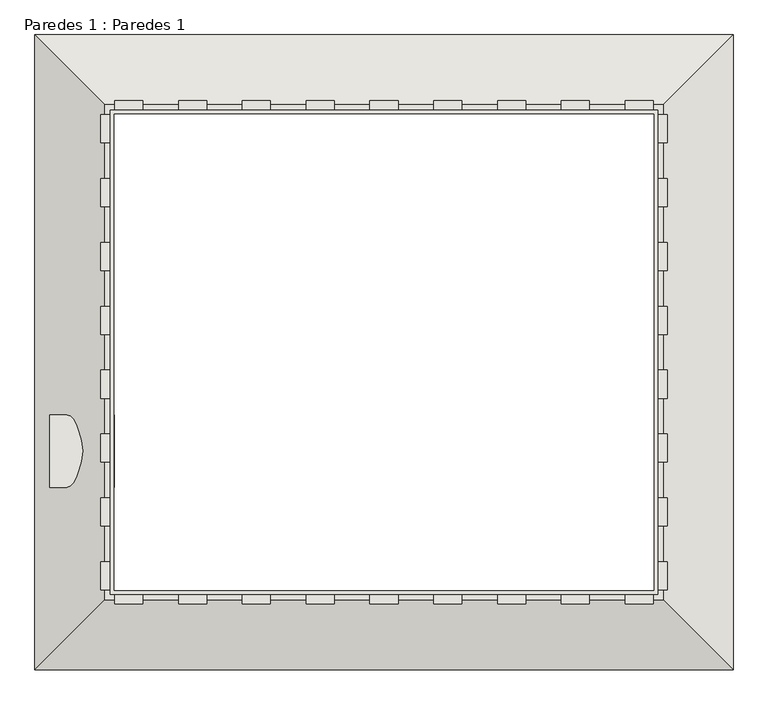
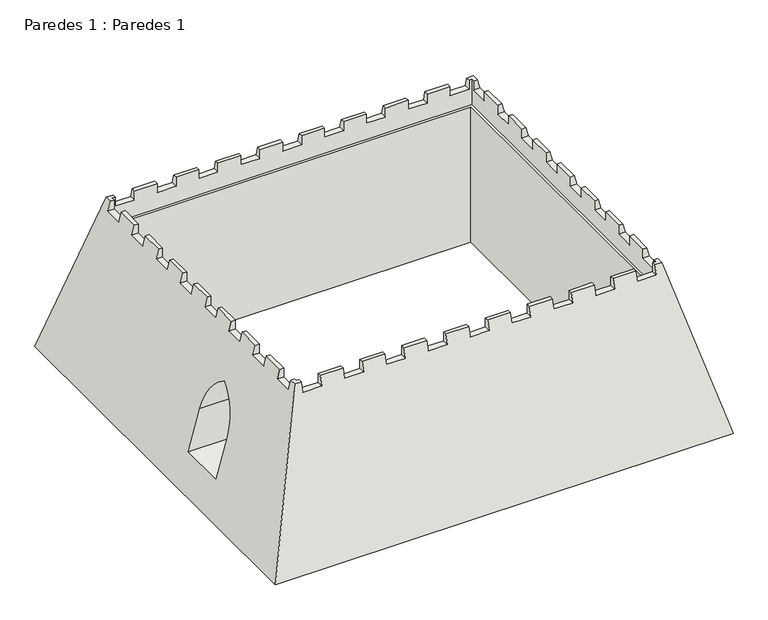
"""IFC4 building model written with IfcOpenShell, lengths in millimetres: wall geometry, Paredes 1 : Paredes 1."""

from ifc_helpers import new_model, si_unit, frame, origin, place, context, project, spatial, polyline, circle_curve, ellipse_curve, source, transform, mapped, element, save
from ifc_brep_helpers import plane_surface, revolved_surface, advanced_brep


def paredes_1_paredes_1_e9ae7069(model_context):
    return source(origin(), model_context, "Body", "AdvancedBrep", [
        advanced_brep(
        [(-7736.0644098, 13936.7052397, 7000.0), (-10120.8122224, 16321.4530523, -1900.0), (-10120.8122224, -5578.042573, -1900.0), (-7736.0644098, -3193.2947603, 7000.0), (-7736.0644098, -2843.2947603, 7000.0), (-7870.039006, -2843.2947603, 6500.0), (-7870.039006, -1843.2947603, 6500.0), (-7736.0644098, -1843.2947603, 7000.0), (-7736.0644098, -639.009046, 7000.0), (-7870.039006, -639.009046, 6500.0), (-7870.039006, 360.990954, 6500.0), (-7736.0644098, 360.990954, 7000.0), (-7736.0644098, 1565.2766683, 7000.0), (-7870.039006, 1565.2766683, 6500.0), (-7870.039006, 2565.2766683, 6500.0), (-7736.0644098, 2565.2766683, 7000.0), (-7736.0644098, 3769.5623825, 7000.0), (-7870.039006, 3769.5623825, 6500.0), (-7870.039006, 4769.5623825, 6500.0), (-7736.0644098, 4769.5623825, 7000.0), (-7736.0644098, 5973.8480968, 7000.0), (-7870.039006, 5973.8480968, 6500.0), (-7870.039006, 6973.8480968, 6500.0), (-7736.0644098, 6973.8480968, 7000.0), (-7736.0644098, 8178.1338111, 7000.0), (-7870.039006, 8178.1338111, 6500.0), (-7870.039006, 9178.1338111, 6500.0), (-7736.0644098, 9178.1338111, 7000.0), (-7736.0644098, 10382.4195254, 7000.0), (-7870.039006, 10382.4195254, 6500.0), (-7870.039006, 11382.4195254, 6500.0), (-7736.0644098, 11382.4195254, 7000.0), (-7736.0644098, 12586.7052397, 7000.0), (-7870.039006, 12586.7052397, 6500.0), (-7870.039006, 13586.7052397, 6500.0), (-7736.0644098, 13586.7052397, 7000.0), (-9611.7087568, 3218.5761205, 0.0), (-9023.5066896, 3218.5761205, 2195.2), (-8464.1530061, 1968.5761205, 4282.736366), (-9023.5066896, 718.5761205, 2195.2), (-9611.7087568, 718.5761205, 0.0), (13948.6834029, -5578.042573, -1900.0), (11563.9355902, -3193.2947603, 7000.0), (11213.9355902, -3193.2947603, 7000.0), (11213.9355902, -3327.2693565, 6500.0), (10213.9355902, -3327.2693565, 6500.0), (10213.9355902, -3193.2947603, 7000.0), (9013.9355902, -3193.2947603, 7000.0), (9013.9355902, -3327.2693565, 6500.0), (8013.9355902, -3327.2693565, 6500.0), (8013.9355902, -3193.2947603, 7000.0), (6813.9355902, -3193.2947603, 7000.0), (6813.9355902, -3327.2693565, 6500.0), (5813.9355902, -3327.2693565, 6500.0), (5813.9355902, -3193.2947603, 7000.0), (4613.9355902, -3193.2947603, 7000.0), (4613.9355902, -3327.2693565, 6500.0), (3613.9355902, -3327.2693565, 6500.0), (3613.9355902, -3193.2947603, 7000.0), (2413.9355902, -3193.2947603, 7000.0), (2413.9355902, -3327.2693565, 6500.0), (1413.9355902, -3327.2693565, 6500.0), (1413.9355902, -3193.2947603, 7000.0), (213.9355902, -3193.2947603, 7000.0), (213.9355902, -3327.2693565, 6500.0), (-786.0644098, -3327.2693565, 6500.0), (-786.0644098, -3193.2947603, 7000.0), (-1986.0644098, -3193.2947603, 7000.0), (-1986.0644098, -3327.2693565, 6500.0), (-2986.0644098, -3327.2693565, 6500.0), (-2986.0644098, -3193.2947603, 7000.0), (-4186.0644098, -3193.2947603, 7000.0), (-4186.0644098, -3327.2693565, 6500.0), (-5186.0644098, -3327.2693565, 6500.0), (-5186.0644098, -3193.2947603, 7000.0), (-6386.0644098, -3193.2947603, 7000.0), (-6386.0644098, -3327.2693565, 6500.0), (-7386.0644098, -3327.2693565, 6500.0), (-7386.0644098, -3193.2947603, 7000.0), (-7536.0644098, 13736.7052397, 5600.0), (-7536.0644098, 13736.7052397, 7000.0), (-7536.0644098, 13586.7052397, 7000.0), (-7536.0644098, 13586.7052397, 6500.0), (-7536.0644098, 12586.7052397, 6500.0), (-7536.0644098, 12586.7052397, 7000.0), (-7536.0644098, 11382.4195254, 7000.0), (-7536.0644098, 11382.4195254, 6500.0), (-7536.0644098, 10382.4195254, 6500.0), (-7536.0644098, 10382.4195254, 7000.0), (-7536.0644098, 9178.1338111, 7000.0), (-7536.0644098, 9178.1338111, 6500.0), (-7536.0644098, 8178.1338111, 6500.0), (-7536.0644098, 8178.1338111, 7000.0), (-7536.0644098, 6973.8480968, 7000.0), (-7536.0644098, 6973.8480968, 6500.0), (-7536.0644098, 5973.8480968, 6500.0), (-7536.0644098, 5973.8480968, 7000.0), (-7536.0644098, 4769.5623825, 7000.0), (-7536.0644098, 4769.5623825, 6500.0), (-7536.0644098, 3769.5623825, 6500.0), (-7536.0644098, 3769.5623825, 7000.0), (-7536.0644098, 2565.2766683, 7000.0), (-7536.0644098, 2565.2766683, 6500.0), (-7536.0644098, 1565.2766683, 6500.0), (-7536.0644098, 1565.2766683, 7000.0), (-7536.0644098, 360.990954, 7000.0), (-7536.0644098, 360.990954, 6500.0), (-7536.0644098, -639.009046, 6500.0), (-7536.0644098, -639.009046, 7000.0), (-7536.0644098, -1843.2947603, 7000.0), (-7536.0644098, -1843.2947603, 6500.0), (-7536.0644098, -2843.2947603, 6500.0), (-7536.0644098, -2843.2947603, 7000.0), (-7536.0644098, -2993.2947603, 7000.0), (-7536.0644098, -2993.2947603, 5600.0), (-7386.0644098, 13586.7052397, -1900.0), (-7386.0644098, 13586.7052397, 5600.0), (-7386.0644098, -2843.2947603, 5600.0), (-7386.0644098, -2843.2947603, -1900.0), (-7386.0644098, 3218.5761205, 2195.2), (-7386.0644098, 3218.5761205, 0.0), (-7386.0644098, 718.5761205, 0.0), (-7386.0644098, 718.5761205, 2195.2), (-7386.0644098, 1968.5761205, 4282.736366), (-7386.0644098, -2993.2947603, 7000.0), (-7386.0644098, -2993.2947603, 6500.0), (-6386.0644098, -2993.2947603, 6500.0), (-6386.0644098, -2993.2947603, 7000.0), (-5186.0644098, -2993.2947603, 7000.0), (-5186.0644098, -2993.2947603, 6500.0), (-4186.0644098, -2993.2947603, 6500.0), (-4186.0644098, -2993.2947603, 7000.0), (-2986.0644098, -2993.2947603, 7000.0), (-2986.0644098, -2993.2947603, 6500.0), (-1986.0644098, -2993.2947603, 6500.0), (-1986.0644098, -2993.2947603, 7000.0), (-786.0644098, -2993.2947603, 7000.0), (-786.0644098, -2993.2947603, 6500.0), (213.9355902, -2993.2947603, 6500.0), (213.9355902, -2993.2947603, 7000.0), (1413.9355902, -2993.2947603, 7000.0), (1413.9355902, -2993.2947603, 6500.0), (2413.9355902, -2993.2947603, 6500.0), (2413.9355902, -2993.2947603, 7000.0), (3613.9355902, -2993.2947603, 7000.0), (3613.9355902, -2993.2947603, 6500.0), (4613.9355902, -2993.2947603, 6500.0), (4613.9355902, -2993.2947603, 7000.0), (5813.9355902, -2993.2947603, 7000.0), (5813.9355902, -2993.2947603, 6500.0), (6813.9355902, -2993.2947603, 6500.0), (6813.9355902, -2993.2947603, 7000.0), (8013.9355902, -2993.2947603, 7000.0), (8013.9355902, -2993.2947603, 6500.0), (9013.9355902, -2993.2947603, 6500.0), (9013.9355902, -2993.2947603, 7000.0), (10213.9355902, -2993.2947603, 7000.0), (10213.9355902, -2993.2947603, 6500.0), (11213.9355902, -2993.2947603, 6500.0), (11213.9355902, -2993.2947603, 7000.0), (11363.9355902, -2993.2947603, 7000.0), (11363.9355902, -2993.2947603, 5600.0), (11213.9355902, -2843.2947603, -1900.0), (11213.9355902, -2843.2947603, 5600.0), (13948.6834029, 16321.4530523, -1900.0), (11563.9355902, 13936.7052397, 7000.0), (11563.9355902, 13586.7052397, 7000.0), (11697.9101864, 13586.7052397, 6500.0), (11697.9101864, 12586.7052397, 6500.0), (11563.9355902, 12586.7052397, 7000.0), (11563.9355902, 11382.4195254, 7000.0), (11697.9101864, 11382.4195254, 6500.0), (11697.9101864, 10382.4195254, 6500.0), (11563.9355902, 10382.4195254, 7000.0), (11563.9355902, 9178.1338111, 7000.0), (11697.9101864, 9178.1338111, 6500.0), (11697.9101864, 8178.1338111, 6500.0), (11563.9355902, 8178.1338111, 7000.0), (11563.9355902, 6973.8480968, 7000.0), (11697.9101864, 6973.8480968, 6500.0), (11697.9101864, 5973.8480968, 6500.0), (11563.9355902, 5973.8480968, 7000.0), (11563.9355902, 4769.5623825, 7000.0), (11697.9101864, 4769.5623825, 6500.0), (11697.9101864, 3769.5623825, 6500.0), (11563.9355902, 3769.5623825, 7000.0), (11563.9355902, 2565.2766683, 7000.0), (11697.9101864, 2565.2766683, 6500.0), (11697.9101864, 1565.2766683, 6500.0), (11563.9355902, 1565.2766683, 7000.0), (11563.9355902, 360.990954, 7000.0), (11697.9101864, 360.990954, 6500.0), (11697.9101864, -639.009046, 6500.0), (11563.9355902, -639.009046, 7000.0), (11563.9355902, -1843.2947603, 7000.0), (11697.9101864, -1843.2947603, 6500.0), (11697.9101864, -2843.2947603, 6500.0), (11563.9355902, -2843.2947603, 7000.0), (11363.9355902, -2843.2947603, 7000.0), (11363.9355902, -2843.2947603, 6500.0), (11363.9355902, -1843.2947603, 6500.0), (11363.9355902, -1843.2947603, 7000.0), (11363.9355902, -639.009046, 7000.0), (11363.9355902, -639.009046, 6500.0), (11363.9355902, 360.990954, 6500.0), (11363.9355902, 360.990954, 7000.0), (11363.9355902, 1565.2766683, 7000.0), (11363.9355902, 1565.2766683, 6500.0), (11363.9355902, 2565.2766683, 6500.0), (11363.9355902, 2565.2766683, 7000.0), (11363.9355902, 3769.5623825, 7000.0), (11363.9355902, 3769.5623825, 6500.0), (11363.9355902, 4769.5623825, 6500.0), (11363.9355902, 4769.5623825, 7000.0), (11363.9355902, 5973.8480968, 7000.0), (11363.9355902, 5973.8480968, 6500.0), (11363.9355902, 6973.8480968, 6500.0), (11363.9355902, 6973.8480968, 7000.0), (11363.9355902, 8178.1338111, 7000.0), (11363.9355902, 8178.1338111, 6500.0), (11363.9355902, 9178.1338111, 6500.0), (11363.9355902, 9178.1338111, 7000.0), (11363.9355902, 10382.4195254, 7000.0), (11363.9355902, 10382.4195254, 6500.0), (11363.9355902, 11382.4195254, 6500.0), (11363.9355902, 11382.4195254, 7000.0), (11363.9355902, 12586.7052397, 7000.0), (11363.9355902, 12586.7052397, 6500.0), (11363.9355902, 13586.7052397, 6500.0), (11363.9355902, 13586.7052397, 7000.0), (11363.9355902, 13736.7052397, 7000.0), (11363.9355902, 13736.7052397, 5600.0), (11213.9355902, 13586.7052397, 5600.0), (11213.9355902, 13586.7052397, -1900.0), (-7386.0644098, 13936.7052397, 7000.0), (-7386.0644098, 14070.6798359, 6500.0), (-6386.0644098, 14070.6798359, 6500.0), (-6386.0644098, 13936.7052397, 7000.0), (-5186.0644098, 13936.7052397, 7000.0), (-5186.0644098, 14070.6798359, 6500.0), (-4186.0644098, 14070.6798359, 6500.0), (-4186.0644098, 13936.7052397, 7000.0), (-2986.0644098, 13936.7052397, 7000.0), (-2986.0644098, 14070.6798359, 6500.0), (-1986.0644098, 14070.6798359, 6500.0), (-1986.0644098, 13936.7052397, 7000.0), (-786.0644098, 13936.7052397, 7000.0), (-786.0644098, 14070.6798359, 6500.0), (213.9355902, 14070.6798359, 6500.0), (213.9355902, 13936.7052397, 7000.0), (1413.9355902, 13936.7052397, 7000.0), (1413.9355902, 14070.6798359, 6500.0), (2413.9355902, 14070.6798359, 6500.0), (2413.9355902, 13936.7052397, 7000.0), (3613.9355902, 13936.7052397, 7000.0), (3613.9355902, 14070.6798359, 6500.0), (4613.9355902, 14070.6798359, 6500.0), (4613.9355902, 13936.7052397, 7000.0), (5813.9355902, 13936.7052397, 7000.0), (5813.9355902, 14070.6798359, 6500.0), (6813.9355902, 14070.6798359, 6500.0), (6813.9355902, 13936.7052397, 7000.0), (8013.9355902, 13936.7052397, 7000.0), (8013.9355902, 14070.6798359, 6500.0), (9013.9355902, 14070.6798359, 6500.0), (9013.9355902, 13936.7052397, 7000.0), (10213.9355902, 13936.7052397, 7000.0), (10213.9355902, 14070.6798359, 6500.0), (11213.9355902, 14070.6798359, 6500.0), (11213.9355902, 13936.7052397, 7000.0), (-7386.0644098, 13736.7052397, 7000.0), (11213.9355902, 13736.7052397, 7000.0), (-6386.0644098, 13736.7052397, 7000.0), (-5186.0644098, 13736.7052397, 7000.0), (-4186.0644098, 13736.7052397, 7000.0), (-2986.0644098, 13736.7052397, 7000.0), (-1986.0644098, 13736.7052397, 7000.0), (-786.0644098, 13736.7052397, 7000.0), (213.9355902, 13736.7052397, 7000.0), (1413.9355902, 13736.7052397, 7000.0), (2413.9355902, 13736.7052397, 7000.0), (3613.9355902, 13736.7052397, 7000.0), (4613.9355902, 13736.7052397, 7000.0), (5813.9355902, 13736.7052397, 7000.0), (6813.9355902, 13736.7052397, 7000.0), (8013.9355902, 13736.7052397, 7000.0), (9013.9355902, 13736.7052397, 7000.0), (10213.9355902, 13736.7052397, 7000.0), (11213.9355902, 13736.7052397, 6500.0), (10213.9355902, 13736.7052397, 6500.0), (9013.9355902, 13736.7052397, 6500.0), (8013.9355902, 13736.7052397, 6500.0), (6813.9355902, 13736.7052397, 6500.0), (5813.9355902, 13736.7052397, 6500.0), (4613.9355902, 13736.7052397, 6500.0), (3613.9355902, 13736.7052397, 6500.0), (2413.9355902, 13736.7052397, 6500.0), (1413.9355902, 13736.7052397, 6500.0), (213.9355902, 13736.7052397, 6500.0), (-786.0644098, 13736.7052397, 6500.0), (-1986.0644098, 13736.7052397, 6500.0), (-2986.0644098, 13736.7052397, 6500.0), (-4186.0644098, 13736.7052397, 6500.0), (-5186.0644098, 13736.7052397, 6500.0), (-6386.0644098, 13736.7052397, 6500.0), (-7386.0644098, 13736.7052397, 6500.0)],
        [
            (0, 1),
            (1, 2),
            (2, 3),
            (3, 4),
            (4, 5),
            (5, 6),
            (6, 7),
            (7, 8),
            (8, 9),
            (9, 10),
            (10, 11),
            (11, 12),
            (12, 13),
            (13, 14),
            (14, 15),
            (15, 16),
            (16, 17),
            (17, 18),
            (18, 19),
            (19, 20),
            (20, 21),
            (21, 22),
            (22, 23),
            (23, 24),
            (24, 25),
            (25, 26),
            (26, 27),
            (27, 28),
            (28, 29),
            (29, 30),
            (30, 31),
            (31, 32),
            (32, 33),
            (33, 34),
            (34, 35),
            (35, 0),
            (36, 37),
            (37, 38, ellipse_curve(frame((-9023.5066896, 850.4528888, 2195.2), z_axis=(0.9659258262890672, 0.0, -0.2588190451025252), x_axis=(0.25881904510252457, 0.0, 0.9659258262890672)), 2451.6615741, 2368.1232317)),
            (38, 39, ellipse_curve(frame((-9023.5066896, 3086.6993523, 2195.2), z_axis=(0.9659258262890672, 0.0, -0.2588190451025252), x_axis=(0.25881904510252457, 0.0, 0.9659258262890672)), 2451.6615741, 2368.1232317)),
            (39, 40),
            (40, 36),
            (2, 41),
            (41, 42),
            (42, 43),
            (43, 44),
            (44, 45),
            (45, 46),
            (46, 47),
            (47, 48),
            (48, 49),
            (49, 50),
            (50, 51),
            (51, 52),
            (52, 53),
            (53, 54),
            (54, 55),
            (55, 56),
            (56, 57),
            (57, 58),
            (58, 59),
            (59, 60),
            (60, 61),
            (61, 62),
            (62, 63),
            (63, 64),
            (64, 65),
            (65, 66),
            (66, 67),
            (67, 68),
            (68, 69),
            (69, 70),
            (70, 71),
            (71, 72),
            (72, 73),
            (73, 74),
            (74, 75),
            (75, 76),
            (76, 77),
            (77, 78),
            (78, 3),
            (79, 80),
            (80, 81),
            (81, 82),
            (82, 83),
            (83, 84),
            (84, 85),
            (85, 86),
            (86, 87),
            (87, 88),
            (88, 89),
            (89, 90),
            (90, 91),
            (91, 92),
            (92, 93),
            (93, 94),
            (94, 95),
            (95, 96),
            (96, 97),
            (97, 98),
            (98, 99),
            (99, 100),
            (100, 101),
            (101, 102),
            (102, 103),
            (103, 104),
            (104, 105),
            (105, 106),
            (106, 107),
            (107, 108),
            (108, 109),
            (109, 110),
            (110, 111),
            (111, 112),
            (112, 113),
            (113, 114),
            (114, 79),
            (115, 116),
            (116, 117),
            (117, 118),
            (118, 115),
            (119, 120),
            (120, 121),
            (121, 122),
            (122, 123, circle_curve(frame((-7386.0644098, 3086.6993523, 2195.2), z_axis=(-1.0, 0.0, 0.0), x_axis=(0.0, 1.0, 0.0)), 2368.1232317)),
            (123, 119, circle_curve(frame((-7386.0644098, 850.4528888, 2195.2), z_axis=(-1.0, 0.0, 0.0), x_axis=(0.0, 1.0, 0.0)), 2368.1232317)),
            (113, 124),
            (124, 125),
            (125, 126),
            (126, 127),
            (127, 128),
            (128, 129),
            (129, 130),
            (130, 131),
            (131, 132),
            (132, 133),
            (133, 134),
            (134, 135),
            (135, 136),
            (136, 137),
            (137, 138),
            (138, 139),
            (139, 140),
            (140, 141),
            (141, 142),
            (142, 143),
            (143, 144),
            (144, 145),
            (145, 146),
            (146, 147),
            (147, 148),
            (148, 149),
            (149, 150),
            (150, 151),
            (151, 152),
            (152, 153),
            (153, 154),
            (154, 155),
            (155, 156),
            (156, 157),
            (157, 158),
            (158, 159),
            (159, 160),
            (160, 161),
            (161, 114),
            (162, 118),
            (117, 163),
            (163, 162),
            (41, 164),
            (164, 165),
            (165, 166),
            (166, 167),
            (167, 168),
            (168, 169),
            (169, 170),
            (170, 171),
            (171, 172),
            (172, 173),
            (173, 174),
            (174, 175),
            (175, 176),
            (176, 177),
            (177, 178),
            (178, 179),
            (179, 180),
            (180, 181),
            (181, 182),
            (182, 183),
            (183, 184),
            (184, 185),
            (185, 186),
            (186, 187),
            (187, 188),
            (188, 189),
            (189, 190),
            (190, 191),
            (191, 192),
            (192, 193),
            (193, 194),
            (194, 195),
            (195, 196),
            (196, 197),
            (197, 42),
            (160, 198),
            (198, 199),
            (199, 200),
            (200, 201),
            (201, 202),
            (202, 203),
            (203, 204),
            (204, 205),
            (205, 206),
            (206, 207),
            (207, 208),
            (208, 209),
            (209, 210),
            (210, 211),
            (211, 212),
            (212, 213),
            (213, 214),
            (214, 215),
            (215, 216),
            (216, 217),
            (217, 218),
            (218, 219),
            (219, 220),
            (220, 221),
            (221, 222),
            (222, 223),
            (223, 224),
            (224, 225),
            (225, 226),
            (226, 227),
            (227, 228),
            (228, 229),
            (229, 230),
            (230, 231),
            (231, 161),
            (163, 232),
            (232, 233),
            (233, 162),
            (0, 234),
            (234, 235),
            (235, 236),
            (236, 237),
            (237, 238),
            (238, 239),
            (239, 240),
            (240, 241),
            (241, 242),
            (242, 243),
            (243, 244),
            (244, 245),
            (245, 246),
            (246, 247),
            (247, 248),
            (248, 249),
            (249, 250),
            (250, 251),
            (251, 252),
            (252, 253),
            (253, 254),
            (254, 255),
            (255, 256),
            (256, 257),
            (257, 258),
            (258, 259),
            (259, 260),
            (260, 261),
            (261, 262),
            (262, 263),
            (263, 264),
            (264, 265),
            (265, 266),
            (266, 267),
            (267, 268),
            (268, 269),
            (269, 165),
            (164, 1),
            (78, 124),
            (112, 4),
            (7, 109),
            (108, 8),
            (11, 105),
            (104, 12),
            (15, 101),
            (100, 16),
            (19, 97),
            (96, 20),
            (23, 93),
            (92, 24),
            (27, 89),
            (88, 28),
            (31, 85),
            (84, 32),
            (35, 81),
            (80, 270),
            (270, 234),
            (74, 128),
            (127, 75),
            (131, 71),
            (70, 132),
            (197, 198),
            (159, 43),
            (46, 156),
            (155, 47),
            (50, 152),
            (151, 51),
            (54, 148),
            (147, 55),
            (58, 144),
            (143, 59),
            (62, 140),
            (139, 63),
            (66, 136),
            (135, 67),
            (269, 271),
            (271, 230),
            (229, 166),
            (169, 226),
            (225, 170),
            (173, 222),
            (221, 174),
            (177, 218),
            (217, 178),
            (181, 214),
            (213, 182),
            (185, 210),
            (209, 186),
            (189, 206),
            (205, 190),
            (193, 202),
            (201, 194),
            (237, 272),
            (272, 273),
            (273, 238),
            (241, 274),
            (274, 275),
            (275, 242),
            (245, 276),
            (276, 277),
            (277, 246),
            (249, 278),
            (278, 279),
            (279, 250),
            (253, 280),
            (280, 281),
            (281, 254),
            (257, 282),
            (282, 283),
            (283, 258),
            (261, 284),
            (284, 285),
            (285, 262),
            (265, 286),
            (286, 287),
            (287, 266),
            (79, 231),
            (271, 288),
            (288, 289),
            (289, 287),
            (286, 290),
            (290, 291),
            (291, 285),
            (284, 292),
            (292, 293),
            (293, 283),
            (282, 294),
            (294, 295),
            (295, 281),
            (280, 296),
            (296, 297),
            (297, 279),
            (278, 298),
            (298, 299),
            (299, 277),
            (276, 300),
            (300, 301),
            (301, 275),
            (274, 302),
            (302, 303),
            (303, 273),
            (272, 304),
            (304, 305),
            (305, 270),
            (116, 232),
            (115, 233),
            (33, 83),
            (82, 34),
            (5, 111),
            (110, 6),
            (29, 87),
            (86, 30),
            (25, 91),
            (90, 26),
            (21, 95),
            (94, 22),
            (17, 99),
            (98, 18),
            (13, 103),
            (102, 14),
            (9, 107),
            (106, 10),
            (76, 126),
            (125, 77),
            (72, 130),
            (129, 73),
            (68, 134),
            (133, 69),
            (64, 138),
            (137, 65),
            (60, 142),
            (141, 61),
            (56, 146),
            (145, 57),
            (52, 150),
            (149, 53),
            (48, 154),
            (153, 49),
            (44, 158),
            (157, 45),
            (167, 228),
            (227, 168),
            (195, 200),
            (199, 196),
            (171, 224),
            (223, 172),
            (175, 220),
            (219, 176),
            (179, 216),
            (215, 180),
            (183, 212),
            (211, 184),
            (187, 208),
            (207, 188),
            (191, 204),
            (203, 192),
            (235, 305),
            (304, 236),
            (239, 303),
            (302, 240),
            (243, 301),
            (300, 244),
            (247, 299),
            (298, 248),
            (251, 297),
            (296, 252),
            (255, 295),
            (294, 256),
            (259, 293),
            (292, 260),
            (263, 291),
            (290, 264),
            (267, 289),
            (288, 268),
            (36, 120),
            (119, 37),
            (123, 38),
            (122, 39),
            (121, 40),
        ],
        [
            plane_surface(frame((-10120.8122224, 16321.4530523, -1900.0), z_axis=(-0.9659258262890672, 0.0, 0.2588190451025252), x_axis=(0.0, -1.0, 0.0))),
            plane_surface(frame((-10120.8122224, -5578.042573, -1900.0), z_axis=(0.0, -0.9659258262890672, 0.2588190451025252), x_axis=(1.0, 0.0, 0.0))),
            plane_surface(frame((-7536.0644098, 13736.7052397, 7000.0), z_axis=(1.0, 0.0, 0.0), x_axis=(0.0, -1.0, 0.0))),
            plane_surface(frame((-7386.0644098, 13586.7052397, 5600.0), z_axis=(1.0, 0.0, 0.0), x_axis=(0.0, -1.0, 0.0))),
            plane_surface(frame((-7536.0644098, -2993.2947603, 7000.0), z_axis=(0.0, 1.0, 0.0), x_axis=(1.0, 0.0, 0.0))),
            plane_surface(frame((-7386.0644098, -2843.2947603, 5600.0), z_axis=(0.0, 1.0, 0.0), x_axis=(1.0, 0.0, 0.0))),
            plane_surface(frame((13948.6834029, -5578.042573, -1900.0), z_axis=(0.9659258262890672, 0.0, 0.2588190451025252), x_axis=(0.0, 1.0, 0.0))),
            plane_surface(frame((11363.9355902, -2993.2947603, 7000.0), z_axis=(-1.0, 0.0, 0.0), x_axis=(0.0, 1.0, 0.0))),
            plane_surface(frame((11213.9355902, -2843.2947603, 5600.0), z_axis=(-1.0, 0.0, 0.0), x_axis=(0.0, 1.0, 0.0))),
            plane_surface(frame((13948.6834029, 16321.4530523, -1900.0), z_axis=(0.0, 0.9659258262890672, 0.2588190451025252), x_axis=(-1.0, 0.0, 0.0))),
            plane_surface(frame((11563.9355902, 13936.7052397, 7000.0), z_axis=(0.0, 0.0, 1.0), x_axis=(-1.0, 0.0, 0.0))),
            plane_surface(frame((11363.9355902, 13736.7052397, 7000.0), z_axis=(0.0, -1.0, 0.0), x_axis=(-1.0, 0.0, 0.0))),
            plane_surface(frame((11363.9355902, 13736.7052397, 5600.0), z_axis=(0.0, 0.0, 1.0), x_axis=(-1.0, 0.0, 0.0))),
            plane_surface(frame((11213.9355902, 13586.7052397, 5600.0), z_axis=(0.0, -1.0, 0.0), x_axis=(-1.0, 0.0, 0.0))),
            plane_surface(frame((11213.9355902, 13586.7052397, -1900.0), z_axis=(0.0, 0.0, -1.0), x_axis=(-1.0, 0.0, 0.0))),
            plane_surface(frame((-10120.8122224, 13586.7052397, 6500.0), z_axis=(0.0, 0.0, 1.0), x_axis=(0.0, 1.0, 0.0))),
            plane_surface(frame((-10120.8122224, 12586.7052397, 8000.0), z_axis=(0.0, 1.0, 0.0), x_axis=(0.0, 0.0, -1.0))),
            plane_surface(frame((-7386.0644098, 13586.7052397, 8000.0), z_axis=(0.0, -1.0, 0.0), x_axis=(0.0, 0.0, -1.0))),
            plane_surface(frame((-10120.8122224, -1843.2947603, 6500.0), z_axis=(0.0, 0.0, 1.0), x_axis=(0.0, 1.0, 0.0))),
            plane_surface(frame((-10120.8122224, -2843.2947603, 8000.0), z_axis=(0.0, 1.0, 0.0), x_axis=(0.0, 0.0, -1.0))),
            plane_surface(frame((-7386.0644098, -1843.2947603, 8000.0), z_axis=(0.0, -1.0, 0.0), x_axis=(0.0, 0.0, -1.0))),
            plane_surface(frame((-10120.8122224, 11382.4195254, 6500.0), z_axis=(0.0, 0.0, 1.0), x_axis=(0.0, 1.0, 0.0))),
            plane_surface(frame((-10120.8122224, 10382.4195254, 8000.0), z_axis=(0.0, 1.0, 0.0), x_axis=(0.0, 0.0, -1.0))),
            plane_surface(frame((-7386.0644098, 11382.4195254, 8000.0), z_axis=(0.0, -1.0, 0.0), x_axis=(0.0, 0.0, -1.0))),
            plane_surface(frame((-10120.8122224, 9178.1338111, 6500.0), z_axis=(0.0, 0.0, 1.0), x_axis=(0.0, 1.0, 0.0))),
            plane_surface(frame((-10120.8122224, 8178.1338111, 8000.0), z_axis=(0.0, 1.0, 0.0), x_axis=(0.0, 0.0, -1.0))),
            plane_surface(frame((-7386.0644098, 9178.1338111, 8000.0), z_axis=(0.0, -1.0, 0.0), x_axis=(0.0, 0.0, -1.0))),
            plane_surface(frame((-10120.8122224, 6973.8480968, 6500.0), z_axis=(0.0, 0.0, 1.0), x_axis=(0.0, 1.0, 0.0))),
            plane_surface(frame((-10120.8122224, 5973.8480968, 8000.0), z_axis=(0.0, 1.0, 0.0), x_axis=(0.0, 0.0, -1.0))),
            plane_surface(frame((-7386.0644098, 6973.8480968, 8000.0), z_axis=(0.0, -1.0, 0.0), x_axis=(0.0, 0.0, -1.0))),
            plane_surface(frame((-10120.8122224, 4769.5623825, 6500.0), z_axis=(0.0, 0.0, 1.0), x_axis=(0.0, 1.0, 0.0))),
            plane_surface(frame((-10120.8122224, 3769.5623825, 8000.0), z_axis=(0.0, 1.0, 0.0), x_axis=(0.0, 0.0, -1.0))),
            plane_surface(frame((-7386.0644098, 4769.5623825, 8000.0), z_axis=(0.0, -1.0, 0.0), x_axis=(0.0, 0.0, -1.0))),
            plane_surface(frame((-10120.8122224, 2565.2766683, 6500.0), z_axis=(0.0, 0.0, 1.0), x_axis=(0.0, 1.0, 0.0))),
            plane_surface(frame((-10120.8122224, 1565.2766683, 8000.0), z_axis=(0.0, 1.0, 0.0), x_axis=(0.0, 0.0, -1.0))),
            plane_surface(frame((-7386.0644098, 2565.2766683, 8000.0), z_axis=(0.0, -1.0, 0.0), x_axis=(0.0, 0.0, -1.0))),
            plane_surface(frame((-10120.8122224, 360.990954, 6500.0), z_axis=(0.0, 0.0, 1.0), x_axis=(0.0, 1.0, 0.0))),
            plane_surface(frame((-10120.8122224, -639.009046, 8000.0), z_axis=(0.0, 1.0, 0.0), x_axis=(0.0, 0.0, -1.0))),
            plane_surface(frame((-7386.0644098, 360.990954, 8000.0), z_axis=(0.0, -1.0, 0.0), x_axis=(0.0, 0.0, -1.0))),
            plane_surface(frame((-6386.0644098, -2723.2947603, 6500.0), z_axis=(0.0, 0.0, 1.0), x_axis=(0.0, -1.0, 0.0))),
            plane_surface(frame((-7386.0644098, -2723.2947603, 8000.0), z_axis=(1.0, 0.0, 0.0), x_axis=(0.0, 0.0, -1.0))),
            plane_surface(frame((-6386.0644098, -5458.042573, 8000.0), z_axis=(-1.0, 0.0, 0.0), x_axis=(0.0, 0.0, -1.0))),
            plane_surface(frame((-4186.0644098, -2723.2947603, 6500.0), z_axis=(0.0, 0.0, 1.0), x_axis=(0.0, -1.0, 0.0))),
            plane_surface(frame((-5186.0644098, -2723.2947603, 8000.0), z_axis=(1.0, 0.0, 0.0), x_axis=(0.0, 0.0, -1.0))),
            plane_surface(frame((-4186.0644098, -5458.042573, 8000.0), z_axis=(-1.0, 0.0, 0.0), x_axis=(0.0, 0.0, -1.0))),
            plane_surface(frame((-1986.0644098, -2723.2947603, 6500.0), z_axis=(0.0, 0.0, 1.0), x_axis=(0.0, -1.0, 0.0))),
            plane_surface(frame((-2986.0644098, -2723.2947603, 8000.0), z_axis=(1.0, 0.0, 0.0), x_axis=(0.0, 0.0, -1.0))),
            plane_surface(frame((-1986.0644098, -5458.042573, 8000.0), z_axis=(-1.0, 0.0, 0.0), x_axis=(0.0, 0.0, -1.0))),
            plane_surface(frame((213.9355902, -2723.2947603, 6500.0), z_axis=(0.0, 0.0, 1.0), x_axis=(0.0, -1.0, 0.0))),
            plane_surface(frame((-786.0644098, -2723.2947603, 8000.0), z_axis=(1.0, 0.0, 0.0), x_axis=(0.0, 0.0, -1.0))),
            plane_surface(frame((213.9355902, -5458.042573, 8000.0), z_axis=(-1.0, 0.0, 0.0), x_axis=(0.0, 0.0, -1.0))),
            plane_surface(frame((2413.9355902, -2723.2947603, 6500.0), z_axis=(0.0, 0.0, 1.0), x_axis=(0.0, -1.0, 0.0))),
            plane_surface(frame((1413.9355902, -2723.2947603, 8000.0), z_axis=(1.0, 0.0, 0.0), x_axis=(0.0, 0.0, -1.0))),
            plane_surface(frame((2413.9355902, -5458.042573, 8000.0), z_axis=(-1.0, 0.0, 0.0), x_axis=(0.0, 0.0, -1.0))),
            plane_surface(frame((4613.9355902, -2723.2947603, 6500.0), z_axis=(0.0, 0.0, 1.0), x_axis=(0.0, -1.0, 0.0))),
            plane_surface(frame((3613.9355902, -2723.2947603, 8000.0), z_axis=(1.0, 0.0, 0.0), x_axis=(0.0, 0.0, -1.0))),
            plane_surface(frame((4613.9355902, -5458.042573, 8000.0), z_axis=(-1.0, 0.0, 0.0), x_axis=(0.0, 0.0, -1.0))),
            plane_surface(frame((6813.9355902, -2723.2947603, 6500.0), z_axis=(0.0, 0.0, 1.0), x_axis=(0.0, -1.0, 0.0))),
            plane_surface(frame((5813.9355902, -2723.2947603, 8000.0), z_axis=(1.0, 0.0, 0.0), x_axis=(0.0, 0.0, -1.0))),
            plane_surface(frame((6813.9355902, -5458.042573, 8000.0), z_axis=(-1.0, 0.0, 0.0), x_axis=(0.0, 0.0, -1.0))),
            plane_surface(frame((9013.9355902, -2723.2947603, 6500.0), z_axis=(0.0, 0.0, 1.0), x_axis=(0.0, -1.0, 0.0))),
            plane_surface(frame((8013.9355902, -2723.2947603, 8000.0), z_axis=(1.0, 0.0, 0.0), x_axis=(0.0, 0.0, -1.0))),
            plane_surface(frame((9013.9355902, -5458.042573, 8000.0), z_axis=(-1.0, 0.0, 0.0), x_axis=(0.0, 0.0, -1.0))),
            plane_surface(frame((11213.9355902, -2723.2947603, 6500.0), z_axis=(0.0, 0.0, 1.0), x_axis=(0.0, -1.0, 0.0))),
            plane_surface(frame((10213.9355902, -2723.2947603, 8000.0), z_axis=(1.0, 0.0, 0.0), x_axis=(0.0, 0.0, -1.0))),
            plane_surface(frame((11213.9355902, -5458.042573, 8000.0), z_axis=(-1.0, 0.0, 0.0), x_axis=(0.0, 0.0, -1.0))),
            plane_surface(frame((11213.9355902, 13586.7052397, 6500.0), z_axis=(0.0, 0.0, 1.0), x_axis=(1.0, 0.0, 0.0))),
            plane_surface(frame((11213.9355902, 12586.7052397, 8000.0), z_axis=(0.0, 1.0, 0.0), x_axis=(0.0, 0.0, -1.0))),
            plane_surface(frame((13948.6834029, 13586.7052397, 8000.0), z_axis=(0.0, -1.0, 0.0), x_axis=(0.0, 0.0, -1.0))),
            plane_surface(frame((11213.9355902, -1843.2947603, 6500.0), z_axis=(0.0, 0.0, 1.0), x_axis=(1.0, 0.0, 0.0))),
            plane_surface(frame((11213.9355902, -2843.2947603, 8000.0), z_axis=(0.0, 1.0, 0.0), x_axis=(0.0, 0.0, -1.0))),
            plane_surface(frame((13948.6834029, -1843.2947603, 8000.0), z_axis=(0.0, -1.0, 0.0), x_axis=(0.0, 0.0, -1.0))),
            plane_surface(frame((11213.9355902, 11382.4195254, 6500.0), z_axis=(0.0, 0.0, 1.0), x_axis=(1.0, 0.0, 0.0))),
            plane_surface(frame((11213.9355902, 10382.4195254, 8000.0), z_axis=(0.0, 1.0, 0.0), x_axis=(0.0, 0.0, -1.0))),
            plane_surface(frame((13948.6834029, 11382.4195254, 8000.0), z_axis=(0.0, -1.0, 0.0), x_axis=(0.0, 0.0, -1.0))),
            plane_surface(frame((11213.9355902, 9178.1338111, 6500.0), z_axis=(0.0, 0.0, 1.0), x_axis=(1.0, 0.0, 0.0))),
            plane_surface(frame((11213.9355902, 8178.1338111, 8000.0), z_axis=(0.0, 1.0, 0.0), x_axis=(0.0, 0.0, -1.0))),
            plane_surface(frame((13948.6834029, 9178.1338111, 8000.0), z_axis=(0.0, -1.0, 0.0), x_axis=(0.0, 0.0, -1.0))),
            plane_surface(frame((11213.9355902, 6973.8480968, 6500.0), z_axis=(0.0, 0.0, 1.0), x_axis=(1.0, 0.0, 0.0))),
            plane_surface(frame((11213.9355902, 5973.8480968, 8000.0), z_axis=(0.0, 1.0, 0.0), x_axis=(0.0, 0.0, -1.0))),
            plane_surface(frame((13948.6834029, 6973.8480968, 8000.0), z_axis=(0.0, -1.0, 0.0), x_axis=(0.0, 0.0, -1.0))),
            plane_surface(frame((11213.9355902, 4769.5623825, 6500.0), z_axis=(0.0, 0.0, 1.0), x_axis=(1.0, 0.0, 0.0))),
            plane_surface(frame((11213.9355902, 3769.5623825, 8000.0), z_axis=(0.0, 1.0, 0.0), x_axis=(0.0, 0.0, -1.0))),
            plane_surface(frame((13948.6834029, 4769.5623825, 8000.0), z_axis=(0.0, -1.0, 0.0), x_axis=(0.0, 0.0, -1.0))),
            plane_surface(frame((11213.9355902, 2565.2766683, 6500.0), z_axis=(0.0, 0.0, 1.0), x_axis=(1.0, 0.0, 0.0))),
            plane_surface(frame((11213.9355902, 1565.2766683, 8000.0), z_axis=(0.0, 1.0, 0.0), x_axis=(0.0, 0.0, -1.0))),
            plane_surface(frame((13948.6834029, 2565.2766683, 8000.0), z_axis=(0.0, -1.0, 0.0), x_axis=(0.0, 0.0, -1.0))),
            plane_surface(frame((11213.9355902, 360.990954, 6500.0), z_axis=(0.0, 0.0, 1.0), x_axis=(1.0, 0.0, 0.0))),
            plane_surface(frame((11213.9355902, -639.009046, 8000.0), z_axis=(0.0, 1.0, 0.0), x_axis=(0.0, 0.0, -1.0))),
            plane_surface(frame((13948.6834029, 360.990954, 8000.0), z_axis=(0.0, -1.0, 0.0), x_axis=(0.0, 0.0, -1.0))),
            plane_surface(frame((-6386.0644098, 16201.4530523, 6500.0), z_axis=(0.0, 0.0, 1.0), x_axis=(1.0, 0.0, 0.0))),
            plane_surface(frame((-7386.0644098, 16201.4530523, 8000.0), z_axis=(1.0, 0.0, 0.0), x_axis=(0.0, 0.0, -1.0))),
            plane_surface(frame((-6386.0644098, 13466.7052397, 8000.0), z_axis=(-1.0, 0.0, 0.0), x_axis=(0.0, 0.0, -1.0))),
            plane_surface(frame((-4186.0644098, 16201.4530523, 6500.0), z_axis=(0.0, 0.0, 1.0), x_axis=(1.0, 0.0, 0.0))),
            plane_surface(frame((-5186.0644098, 16201.4530523, 8000.0), z_axis=(1.0, 0.0, 0.0), x_axis=(0.0, 0.0, -1.0))),
            plane_surface(frame((-4186.0644098, 13466.7052397, 8000.0), z_axis=(-1.0, 0.0, 0.0), x_axis=(0.0, 0.0, -1.0))),
            plane_surface(frame((-1986.0644098, 16201.4530523, 6500.0), z_axis=(0.0, 0.0, 1.0), x_axis=(1.0, 0.0, 0.0))),
            plane_surface(frame((-2986.0644098, 16201.4530523, 8000.0), z_axis=(1.0, 0.0, 0.0), x_axis=(0.0, 0.0, -1.0))),
            plane_surface(frame((-1986.0644098, 13466.7052397, 8000.0), z_axis=(-1.0, 0.0, 0.0), x_axis=(0.0, 0.0, -1.0))),
            plane_surface(frame((213.9355902, 16201.4530523, 6500.0), z_axis=(0.0, 0.0, 1.0), x_axis=(1.0, 0.0, 0.0))),
            plane_surface(frame((-786.0644098, 16201.4530523, 8000.0), z_axis=(1.0, 0.0, 0.0), x_axis=(0.0, 0.0, -1.0))),
            plane_surface(frame((213.9355902, 13466.7052397, 8000.0), z_axis=(-1.0, 0.0, 0.0), x_axis=(0.0, 0.0, -1.0))),
            plane_surface(frame((2413.9355902, 16201.4530523, 6500.0), z_axis=(0.0, 0.0, 1.0), x_axis=(1.0, 0.0, 0.0))),
            plane_surface(frame((1413.9355902, 16201.4530523, 8000.0), z_axis=(1.0, 0.0, 0.0), x_axis=(0.0, 0.0, -1.0))),
            plane_surface(frame((2413.9355902, 13466.7052397, 8000.0), z_axis=(-1.0, 0.0, 0.0), x_axis=(0.0, 0.0, -1.0))),
            plane_surface(frame((4613.9355902, 16201.4530523, 6500.0), z_axis=(0.0, 0.0, 1.0), x_axis=(1.0, 0.0, 0.0))),
            plane_surface(frame((3613.9355902, 16201.4530523, 8000.0), z_axis=(1.0, 0.0, 0.0), x_axis=(0.0, 0.0, -1.0))),
            plane_surface(frame((4613.9355902, 13466.7052397, 8000.0), z_axis=(-1.0, 0.0, 0.0), x_axis=(0.0, 0.0, -1.0))),
            plane_surface(frame((6813.9355902, 16201.4530523, 6500.0), z_axis=(0.0, 0.0, 1.0), x_axis=(1.0, 0.0, 0.0))),
            plane_surface(frame((5813.9355902, 16201.4530523, 8000.0), z_axis=(1.0, 0.0, 0.0), x_axis=(0.0, 0.0, -1.0))),
            plane_surface(frame((6813.9355902, 13466.7052397, 8000.0), z_axis=(-1.0, 0.0, 0.0), x_axis=(0.0, 0.0, -1.0))),
            plane_surface(frame((9013.9355902, 16201.4530523, 6500.0), z_axis=(0.0, 0.0, 1.0), x_axis=(1.0, 0.0, 0.0))),
            plane_surface(frame((8013.9355902, 16201.4530523, 8000.0), z_axis=(1.0, 0.0, 0.0), x_axis=(0.0, 0.0, -1.0))),
            plane_surface(frame((9013.9355902, 13466.7052397, 8000.0), z_axis=(-1.0, 0.0, 0.0), x_axis=(0.0, 0.0, -1.0))),
            plane_surface(frame((11213.9355902, 16201.4530523, 6500.0), z_axis=(0.0, 0.0, 1.0), x_axis=(1.0, 0.0, 0.0))),
            plane_surface(frame((10213.9355902, 16201.4530523, 8000.0), z_axis=(1.0, 0.0, 0.0), x_axis=(0.0, 0.0, -1.0))),
            plane_surface(frame((11213.9355902, 13466.7052397, 8000.0), z_axis=(-1.0, 0.0, 0.0), x_axis=(0.0, 0.0, -1.0))),
            plane_surface(frame((-2623.1855072, 3218.5761205, 0.0), z_axis=(0.0, -1.0, 0.0), x_axis=(-1.0, 0.0, 0.0))),
            revolved_surface(polyline([(-7386.0644098, 3218.5761205, 2195.2), (-9658.043397123114, 3218.5761205, 2195.2)]), (-9700.7345307, 850.4528888, 2195.2), (1.0, 0.0, 0.0)),
            revolved_surface(polyline([(-7386.0644098, 5454.822584, 2195.2), (-9658.043397123114, 5454.822584, 2195.2)]), (-9700.7345307, 3086.6993523, 2195.2), (1.0, 0.0, 0.0)),
            plane_surface(frame((-2623.1855072, 718.5761205, 2195.2), z_axis=(0.0, 1.0, 0.0), x_axis=(-1.0, 0.0, 0.0))),
            plane_surface(frame((-2623.1855072, 718.5761205, 0.0), z_axis=(0.0, 0.0, 1.0), x_axis=(-1.0, 0.0, 0.0))),
        ],
        [
            (0, [[1, 2, 3, 4, 5, 6, 7, 8, 9, 10, 11, 12, 13, 14, 15, 16, 17, 18, 19, 20, 21, 22, 23, 24, 25, 26, 27, 28, 29, 30, 31, 32, 33, 34, 35, 36], [37, 38, 39, 40, 41]]),
            (1, [[42, 43, 44, 45, 46, 47, 48, 49, 50, 51, 52, 53, 54, 55, 56, 57, 58, 59, 60, 61, 62, 63, 64, 65, 66, 67, 68, 69, 70, 71, 72, 73, 74, 75, 76, 77, 78, 79, 80, -3]]),
            (2, [[81, 82, 83, 84, 85, 86, 87, 88, 89, 90, 91, 92, 93, 94, 95, 96, 97, 98, 99, 100, 101, 102, 103, 104, 105, 106, 107, 108, 109, 110, 111, 112, 113, 114, 115, 116]]),
            (3, [[117, 118, 119, 120], [121, 122, 123, 124, 125]]),
            (4, [[-115, 126, 127, 128, 129, 130, 131, 132, 133, 134, 135, 136, 137, 138, 139, 140, 141, 142, 143, 144, 145, 146, 147, 148, 149, 150, 151, 152, 153, 154, 155, 156, 157, 158, 159, 160, 161, 162, 163, 164]]),
            (5, [[165, -119, 166, 167]]),
            (6, [[-43, 168, 169, 170, 171, 172, 173, 174, 175, 176, 177, 178, 179, 180, 181, 182, 183, 184, 185, 186, 187, 188, 189, 190, 191, 192, 193, 194, 195, 196, 197, 198, 199, 200, 201, 202]]),
            (7, [[-163, 203, 204, 205, 206, 207, 208, 209, 210, 211, 212, 213, 214, 215, 216, 217, 218, 219, 220, 221, 222, 223, 224, 225, 226, 227, 228, 229, 230, 231, 232, 233, 234, 235, 236, 237]]),
            (8, [[-167, 238, 239, 240]]),
            (9, [[-1, 241, 242, 243, 244, 245, 246, 247, 248, 249, 250, 251, 252, 253, 254, 255, 256, 257, 258, 259, 260, 261, 262, 263, 264, 265, 266, 267, 268, 269, 270, 271, 272, 273, 274, 275, 276, 277, -169, 278]]),
            (10, [[-4, -80, 279, -126, -114, 280]]),
            (10, [[-8, 281, -110, 282]]),
            (10, [[-12, 283, -106, 284]]),
            (10, [[-16, 285, -102, 286]]),
            (10, [[-20, 287, -98, 288]]),
            (10, [[-24, 289, -94, 290]]),
            (10, [[-28, 291, -90, 292]]),
            (10, [[-32, 293, -86, 294]]),
            (10, [[-36, 295, -82, 296, 297, -241]]),
            (10, [[-76, 298, -130, 299]]),
            (10, [[300, -72, 301, -134]]),
            (10, [[-44, -202, 302, -203, -162, 303]]),
            (10, [[-48, 304, -158, 305]]),
            (10, [[-52, 306, -154, 307]]),
            (10, [[-56, 308, -150, 309]]),
            (10, [[-60, 310, -146, 311]]),
            (10, [[-64, 312, -142, 313]]),
            (10, [[-68, 314, -138, 315]]),
            (10, [[-170, -277, 316, 317, -235, 318]]),
            (10, [[-174, 319, -231, 320]]),
            (10, [[-178, 321, -227, 322]]),
            (10, [[-182, 323, -223, 324]]),
            (10, [[-186, 325, -219, 326]]),
            (10, [[-190, 327, -215, 328]]),
            (10, [[-194, 329, -211, 330]]),
            (10, [[-198, 331, -207, 332]]),
            (10, [[-245, 333, 334, 335]]),
            (10, [[-249, 336, 337, 338]]),
            (10, [[-253, 339, 340, 341]]),
            (10, [[-257, 342, 343, 344]]),
            (10, [[-261, 345, 346, 347]]),
            (10, [[-265, 348, 349, 350]]),
            (10, [[-269, 351, 352, 353]]),
            (10, [[-273, 354, 355, 356]]),
            (11, [[-81, 357, -236, -317, 358, 359, 360, -355, 361, 362, 363, -352, 364, 365, 366, -349, 367, 368, 369, -346, 370, 371, 372, -343, 373, 374, 375, -340, 376, 377, 378, -337, 379, 380, 381, -334, 382, 383, 384, -296]]),
            (12, [[-116, -164, -237, -357], [-166, -118, 385, -238]]),
            (13, [[-117, 386, -239, -385]]),
            (14, [[-42, -2, -278, -168], [-120, -165, -240, -386]]),
            (15, [[-34, 387, -84, 388]]),
            (16, [[-33, -294, -85, -387]]),
            (17, [[-35, -388, -83, -295]]),
            (18, [[-6, 389, -112, 390]]),
            (19, [[-5, -280, -113, -389]]),
            (20, [[-7, -390, -111, -281]]),
            (21, [[-30, 391, -88, 392]]),
            (22, [[-29, -292, -89, -391]]),
            (23, [[-31, -392, -87, -293]]),
            (24, [[-26, 393, -92, 394]]),
            (25, [[-25, -290, -93, -393]]),
            (26, [[-27, -394, -91, -291]]),
            (27, [[-22, 395, -96, 396]]),
            (28, [[-21, -288, -97, -395]]),
            (29, [[-23, -396, -95, -289]]),
            (30, [[-18, 397, -100, 398]]),
            (31, [[-17, -286, -101, -397]]),
            (32, [[-19, -398, -99, -287]]),
            (33, [[-14, 399, -104, 400]]),
            (34, [[-13, -284, -105, -399]]),
            (35, [[-15, -400, -103, -285]]),
            (36, [[-10, 401, -108, 402]]),
            (37, [[-9, -282, -109, -401]]),
            (38, [[-11, -402, -107, -283]]),
            (39, [[-78, 403, -128, 404]]),
            (40, [[-79, -404, -127, -279]]),
            (41, [[-77, -299, -129, -403]]),
            (42, [[-74, 405, -132, 406]]),
            (43, [[-75, -406, -131, -298]]),
            (44, [[-73, -300, -133, -405]]),
            (45, [[-70, 407, -136, 408]]),
            (46, [[-71, -408, -135, -301]]),
            (47, [[-69, -315, -137, -407]]),
            (48, [[-66, 409, -140, 410]]),
            (49, [[-67, -410, -139, -314]]),
            (50, [[-65, -313, -141, -409]]),
            (51, [[-62, 411, -144, 412]]),
            (52, [[-63, -412, -143, -312]]),
            (53, [[-61, -311, -145, -411]]),
            (54, [[-58, 413, -148, 414]]),
            (55, [[-59, -414, -147, -310]]),
            (56, [[-57, -309, -149, -413]]),
            (57, [[-54, 415, -152, 416]]),
            (58, [[-55, -416, -151, -308]]),
            (59, [[-53, -307, -153, -415]]),
            (60, [[-50, 417, -156, 418]]),
            (61, [[-51, -418, -155, -306]]),
            (62, [[-49, -305, -157, -417]]),
            (63, [[-46, 419, -160, 420]]),
            (64, [[-47, -420, -159, -304]]),
            (65, [[-45, -303, -161, -419]]),
            (66, [[-172, 421, -233, 422]]),
            (67, [[-173, -422, -232, -319]]),
            (68, [[-171, -318, -234, -421]]),
            (69, [[-200, 423, -205, 424]]),
            (70, [[-201, -424, -204, -302]]),
            (71, [[-199, -332, -206, -423]]),
            (72, [[-176, 425, -229, 426]]),
            (73, [[-177, -426, -228, -321]]),
            (74, [[-175, -320, -230, -425]]),
            (75, [[-180, 427, -225, 428]]),
            (76, [[-181, -428, -224, -323]]),
            (77, [[-179, -322, -226, -427]]),
            (78, [[-184, 429, -221, 430]]),
            (79, [[-185, -430, -220, -325]]),
            (80, [[-183, -324, -222, -429]]),
            (81, [[-188, 431, -217, 432]]),
            (82, [[-189, -432, -216, -327]]),
            (83, [[-187, -326, -218, -431]]),
            (84, [[-192, 433, -213, 434]]),
            (85, [[-193, -434, -212, -329]]),
            (86, [[-191, -328, -214, -433]]),
            (87, [[-196, 435, -209, 436]]),
            (88, [[-197, -436, -208, -331]]),
            (89, [[-195, -330, -210, -435]]),
            (90, [[-243, 437, -383, 438]]),
            (91, [[-242, -297, -384, -437]]),
            (92, [[-244, -438, -382, -333]]),
            (93, [[-247, 439, -380, 440]]),
            (94, [[-246, -335, -381, -439]]),
            (95, [[-248, -440, -379, -336]]),
            (96, [[-251, 441, -377, 442]]),
            (97, [[-250, -338, -378, -441]]),
            (98, [[-252, -442, -376, -339]]),
            (99, [[-255, 443, -374, 444]]),
            (100, [[-254, -341, -375, -443]]),
            (101, [[-256, -444, -373, -342]]),
            (102, [[-259, 445, -371, 446]]),
            (103, [[-258, -344, -372, -445]]),
            (104, [[-260, -446, -370, -345]]),
            (105, [[-263, 447, -368, 448]]),
            (106, [[-262, -347, -369, -447]]),
            (107, [[-264, -448, -367, -348]]),
            (108, [[-267, 449, -365, 450]]),
            (109, [[-266, -350, -366, -449]]),
            (110, [[-268, -450, -364, -351]]),
            (111, [[-271, 451, -362, 452]]),
            (112, [[-270, -353, -363, -451]]),
            (113, [[-272, -452, -361, -354]]),
            (114, [[-275, 453, -359, 454]]),
            (115, [[-274, -356, -360, -453]]),
            (116, [[-276, -454, -358, -316]]),
            (117, [[455, -121, 456, -37]]),
            (118, [[-456, -125, 457, -38]]),
            (119, [[-457, -124, 458, -39]]),
            (120, [[-458, -123, 459, -40]]),
            (121, [[-455, -41, -459, -122]]),
        ],
    ),
    ])


if __name__ == "__main__":
    model = new_model("IFC4")
    model_context = context("Model", 3, world=origin())
    ifc_project = project(units=[si_unit("LENGTHUNIT", "METRE", prefix="MILLI")], contexts=[model_context])
    site = spatial("IfcSite", under=ifc_project)
    building = spatial("IfcBuilding", under=site)
    placement = place(None, origin())
    paredes_1_paredes_1_shape = paredes_1_paredes_1_e9ae7069(model_context)
    element("IfcWall", 1, ObjectType="Paredes 1 : Paredes 1", at=placement, inside=building, context=model_context, shape_type="MappedRepresentation", body=[
        mapped(paredes_1_paredes_1_shape, transform((0.0, 0.0, 0.0), x_axis=(1.0, 0.0, 0.0), y_axis=(0.0, 1.0, 0.0), z_axis=(0.0, 0.0, 1.0))),
    ])
    save(model, "model.ifc")
